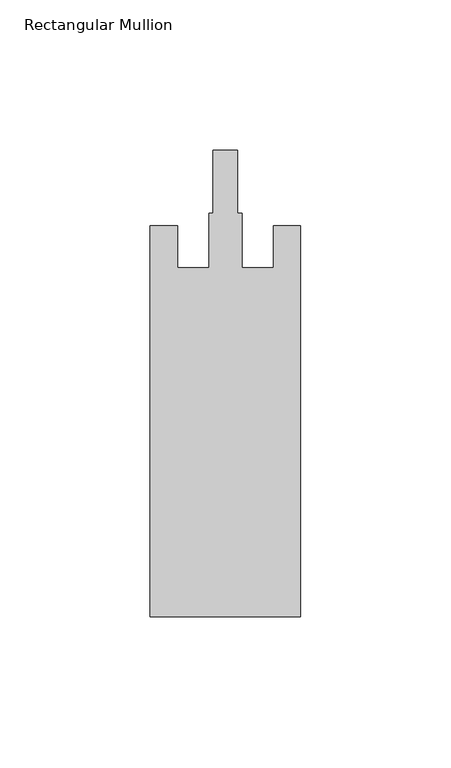
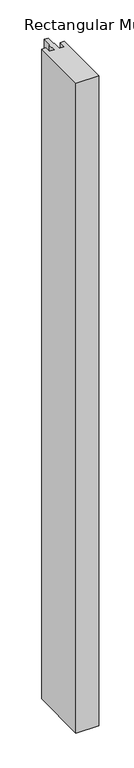
"""IFC4 building model written with IfcOpenShell, lengths in millimetres: member geometry, Rectangular Mullion."""

import ifcopenshell
import ifcopenshell.guid

model = None  # the IFC model being written
_history = None  # IfcOwnerHistory: only IFC2X3 demands one
_inside = {}  # id of a spatial element -> (the spatial element, [elements in it])
_under = {}  # id of a project, library or spatial element -> (it, [spatial elements below it])
_declared = {}  # id of a project -> (the project, [libraries it declares])
_typed = {}  # id of a type object -> (the type object, [elements of that type])
_made_of = {}  # id of a material, layer set ... -> (it, [elements and type objects made of it])


def new_model(schema):
    """Start an empty IFC model of exactly this schema.

    Asked for "IFC4X3", IfcOpenShell would pick the latest addendum, in which some entities
    have other attributes; the version numbers below select the first issue.
    IFC2X3 requires an IfcOwnerHistory on every rooted entity: one is made here for all.
    """
    global model, _history
    if schema == "IFC4X3":
        model = ifcopenshell.file(schema_version=(4, 3, 0, 0))
    else:
        model = ifcopenshell.file(schema=schema)
    _inside.clear()
    _under.clear()
    _declared.clear()
    _typed.clear()
    _made_of.clear()
    _history = None
    if model.schema == "IFC2X3":
        org = make("IfcOrganization", Name="unknown")
        user = make(
            "IfcPersonAndOrganization",
            ThePerson=make("IfcPerson", FamilyName="unknown"),
            TheOrganization=org,
        )
        app = make(
            "IfcApplication",
            ApplicationDeveloper=org,
            Version="unknown",
            ApplicationFullName="unknown",
            ApplicationIdentifier="unknown",
        )
        _history = make(
            "IfcOwnerHistory",
            OwningUser=user,
            OwningApplication=app,
            ChangeAction="ADDED",
            CreationDate=0,
        )
    return model


def make(cls, **values):
    """One entity of the class cls with the attributes given. An attribute that is None is left unset."""
    return model.create_entity(
        cls, **{name: value for name, value in values.items() if value is not None}
    )


def rooted(cls, **values):
    """An entity with a GlobalId (a new one), such as an element, a storey or a relation."""
    return make(cls, GlobalId=ifcopenshell.guid.new(), OwnerHistory=_history, **values)


def si_unit(unit_type, name, prefix=None):
    """IfcSIUnit, for example si_unit("LENGTHUNIT", "METRE", prefix="MILLI")."""
    return make("IfcSIUnit", UnitType=unit_type, Prefix=prefix, Name=name)


def assignment(units):
    """IfcUnitAssignment: the units of a project."""
    return None if units is None else make("IfcUnitAssignment", Units=units)


def point(xyz):
    """IfcCartesianPoint."""
    return None if xyz is None else make("IfcCartesianPoint", Coordinates=xyz)


def direction(xyz):
    """IfcDirection."""
    return None if xyz is None else make("IfcDirection", DirectionRatios=xyz)


def frame(location, z_axis=None, x_axis=None):
    """IfcAxis2Placement3D, a coordinate frame: its origin and axes. An axis left out is left unset."""
    return make(
        "IfcAxis2Placement3D",
        Location=point(location),
        Axis=direction(z_axis),
        RefDirection=direction(x_axis),
    )


def origin():
    """The frame at (0, 0, 0) with its axes left unset."""
    return frame((0.0, 0.0, 0.0))


def place(relative_to, where):
    """IfcLocalPlacement: puts the frame where relative to a parent placement (None: the world)."""
    return make(
        "IfcLocalPlacement", PlacementRelTo=relative_to, RelativePlacement=where
    )


def context(
    kind, dimensions, precision=None, world=None, true_north=None, identifier=None
):
    """IfcGeometricRepresentationContext, for example the 3D "Model" context."""
    return make(
        "IfcGeometricRepresentationContext",
        ContextIdentifier=identifier,
        ContextType=kind,
        CoordinateSpaceDimension=dimensions,
        Precision=precision,
        WorldCoordinateSystem=world,
        TrueNorth=true_north,
    )


def project(units=None, contexts=None):
    """IfcProject with its units and contexts."""
    return rooted(
        "IfcProject",
        Name="project",
        RepresentationContexts=contexts,
        UnitsInContext=assignment(units),
    )


def spatial(cls, under=None, at=None, **own):
    """A site, building, storey or space (cls), placed at a placement, below another one or the project."""
    s = rooted(cls, ObjectPlacement=at, **own)
    if under is not None:
        _under.setdefault(under.id(), (under, []))[1].append(s)
    return s


def polyline(points):
    """IfcPolyline through the points."""
    return make("IfcPolyline", Points=[point(p) for p in points])


def outline(outer, holes=None, kind="AREA"):
    """IfcArbitraryClosedProfileDef: a profile drawn as a closed curve; with holes, ...WithVoids."""
    if holes is None:
        return make("IfcArbitraryClosedProfileDef", ProfileType=kind, OuterCurve=outer)
    return make(
        "IfcArbitraryProfileDefWithVoids",
        ProfileType=kind,
        OuterCurve=outer,
        InnerCurves=holes,
    )


def extrude(swept, where, along, depth):
    """IfcExtrudedAreaSolid: the profile swept, set in the frame where, extruded along a direction by depth."""
    return make(
        "IfcExtrudedAreaSolid",
        SweptArea=swept,
        Position=where,
        ExtrudedDirection=direction(along),
        Depth=depth,
    )


def shape(context_of_items, identifier, shape_type, items):
    """IfcShapeRepresentation: the items that make up one representation, for example the "Body"."""
    return make(
        "IfcShapeRepresentation",
        ContextOfItems=context_of_items,
        RepresentationIdentifier=identifier,
        RepresentationType=shape_type,
        Items=items,
    )


def source(mapping_origin, context_of_items, identifier, shape_type, items):
    """IfcRepresentationMap: a shape defined once, which mapped items show again and again."""
    return make(
        "IfcRepresentationMap",
        MappingOrigin=mapping_origin,
        MappedRepresentation=shape(context_of_items, identifier, shape_type, items),
    )


def transform(
    local_origin,
    x_axis=None,
    y_axis=None,
    z_axis=None,
    scale=None,
    scale2=None,
    scale3=None,
    uniform=True,
):
    """IfcCartesianTransformationOperator3D, or its non-uniform kind. x_axis, y_axis, z_axis: its Axis1, 2, 3."""
    if uniform:
        return make(
            "IfcCartesianTransformationOperator3D",
            Axis1=direction(x_axis),
            Axis2=direction(y_axis),
            LocalOrigin=point(local_origin),
            Scale=scale,
            Axis3=direction(z_axis),
        )
    return make(
        "IfcCartesianTransformationOperator3DnonUniform",
        Axis1=direction(x_axis),
        Axis2=direction(y_axis),
        LocalOrigin=point(local_origin),
        Scale=scale,
        Axis3=direction(z_axis),
        Scale2=scale2,
        Scale3=scale3,
    )


def mapped(mapping_source, mapping_target):
    """IfcMappedItem: shows the shape of a source again, moved by a transform."""
    return make(
        "IfcMappedItem", MappingSource=mapping_source, MappingTarget=mapping_target
    )


def made_of(thing, what):
    """Note that an element or type object is made of a material, layer set ...; save() writes the relation."""
    if what is not None:
        _made_of.setdefault(what.id(), (what, []))[1].append(thing)
    return thing


def element(
    cls,
    number,
    at=None,
    inside=None,
    cuts=None,
    type_object=None,
    material=None,
    context=None,
    identifier="Body",
    shape_type=None,
    held_by="IfcProductDefinitionShape",
    body=None,
    shapes=None,
    **own,
):
    """One element of the class cls, such as IfcWall. Its Tag is "e" and its number.

    at: its placement. inside: the storey or other place that contains it. cuts: it is an
    opening in that element (IfcRelVoidsElement). A single representation is given by context,
    identifier, shape_type and body (its items); several are given by shapes. held_by: the class
    of the entity that holds the representations. save() writes the other relations.
    """
    e = rooted(cls, Tag="e%d" % number, ObjectPlacement=at, **own)
    if body is not None:
        shapes = [shape(context, identifier, shape_type, body)]
    if shapes is not None:
        e.Representation = make(held_by, Representations=shapes)
    if inside is not None:
        _inside.setdefault(inside.id(), (inside, []))[1].append(e)
    if cuts is not None:
        rooted(
            "IfcRelVoidsElement", RelatingBuildingElement=cuts, RelatedOpeningElement=e
        )
    if type_object is not None:
        _typed.setdefault(type_object.id(), (type_object, []))[1].append(e)
    return made_of(e, material)


def aggregate(whole, parts):
    """IfcRelAggregates: a whole, such as a stair, and the parts it consists of."""
    return rooted("IfcRelAggregates", RelatingObject=whole, RelatedObjects=parts)


def save(model, path):
    """Write the relations noted so far, then the file.

    IfcRelAggregates (storeys below a building ...), IfcRelContainedInSpatialStructure (elements
    in a storey), IfcRelDefinesByType, IfcRelAssociatesMaterial and IfcRelDeclares: one each for
    every whole, place, type object, material and project.
    """
    for whole, parts in _under.values():
        aggregate(whole, parts)
    for where, things in _inside.values():
        rooted(
            "IfcRelContainedInSpatialStructure",
            RelatedElements=things,
            RelatingStructure=where,
        )
    for kind, things in _typed.values():
        rooted("IfcRelDefinesByType", RelatedObjects=things, RelatingType=kind)
    for what, things in _made_of.values():
        rooted("IfcRelAssociatesMaterial", RelatedObjects=things, RelatingMaterial=what)
    for by, libraries in _declared.values():
        rooted("IfcRelDeclares", RelatingContext=by, RelatedDefinitions=libraries)
    model.write(path)


def rectangular_mullion_eb83e0e2(model_context):
    return source(origin(), model_context, "Body", "SweptSolid", [
        extrude(outline(polyline([(25.0, -162.0), (-25.0, -162.0), (-25.0, -32.0), (-16.0, -32.0), (-16.0, -46.0), (-5.5, -46.0), (-5.5, -27.8), (-4.1, -27.8), (-4.1, -7.0), (4.1, -7.0), (4.1, -27.8), (5.5, -27.8), (5.5, -46.0), (16.0, -46.0), (16.0, -32.0), (25.0, -32.0), (25.0, -162.0)])), frame((0.0, 0.0, -1500.0), z_axis=(0.0, 0.0, 1.0), x_axis=(1.0, 0.0, 0.0)), (0.0, 0.0, 1.0), 1500.0),
    ])


if __name__ == "__main__":
    model = new_model("IFC4")
    model_context = context("Model", 3, world=origin())
    ifc_project = project(units=[si_unit("LENGTHUNIT", "METRE", prefix="MILLI")], contexts=[model_context])
    site = spatial("IfcSite", under=ifc_project)
    building = spatial("IfcBuilding", under=site)
    placement = place(None, origin())
    rectangular_mullion_shape = rectangular_mullion_eb83e0e2(model_context)
    element("IfcMember", 1, ObjectType="Rectangular Mullion", at=placement, inside=building, context=model_context, shape_type="MappedRepresentation", body=[
        mapped(rectangular_mullion_shape, transform((0.0, 0.0, 0.0), x_axis=(1.0, 0.0, 0.0), y_axis=(0.0, 1.0, 0.0), z_axis=(0.0, 0.0, 1.0))),
    ])
    save(model, "model.ifc")
